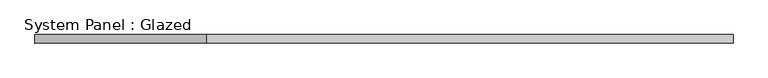
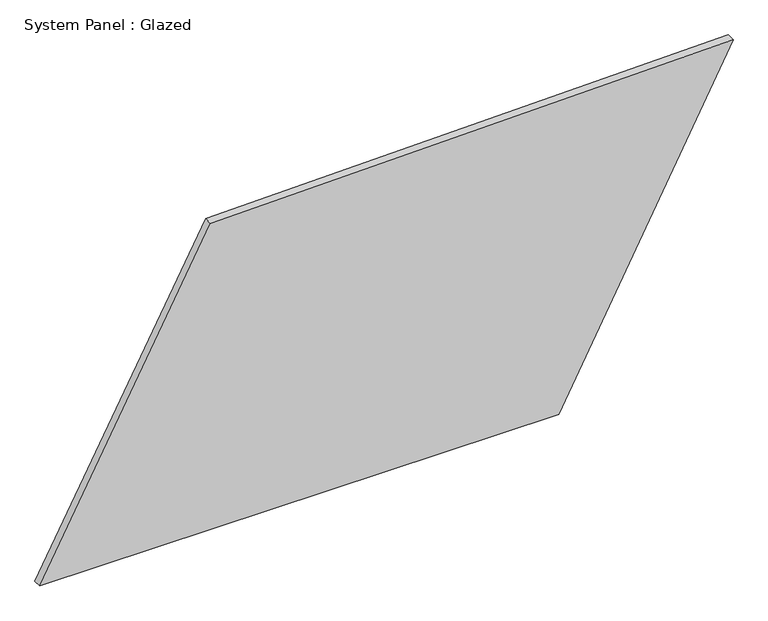
"""IFC4 building model written with IfcOpenShell, lengths in millimetres: plate geometry, System Panel : Glazed."""

from ifc_helpers import new_model, si_unit, frame, origin, place, context, project, spatial, polyline, outline, extrude, source, transform, mapped, element, save


def system_panel_glazed_f293e0b8(model_context):
    return source(origin(), model_context, "Body", "SweptSolid", [
        extrude(outline(polyline([(0.0, -1022.0052583), (0.0, 507.3805076), (988.3664434, 1022.0052583), (954.1198986, -518.7787807), (0.0, -1022.0052583)])), frame((0.0, -49.5, 0.0), z_axis=(0.0, 1.0, 0.0), x_axis=(0.0, 0.0, 1.0)), (0.0, 0.0, 1.0), 25.0),
    ])


if __name__ == "__main__":
    model = new_model("IFC4")
    model_context = context("Model", 3, world=origin())
    ifc_project = project(units=[si_unit("LENGTHUNIT", "METRE", prefix="MILLI")], contexts=[model_context])
    site = spatial("IfcSite", under=ifc_project)
    building = spatial("IfcBuilding", under=site)
    placement = place(None, origin())
    system_panel_glazed_shape = system_panel_glazed_f293e0b8(model_context)
    element("IfcPlate", 1, ObjectType="System Panel : Glazed", at=placement, inside=building, context=model_context, shape_type="MappedRepresentation", body=[
        mapped(system_panel_glazed_shape, transform((0.0, 0.0, 0.0), x_axis=(1.0, 0.0, 0.0), y_axis=(0.0, 1.0, 0.0), z_axis=(0.0, 0.0, 1.0))),
    ])
    save(model, "model.ifc")
